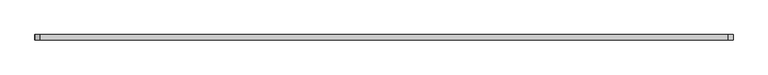
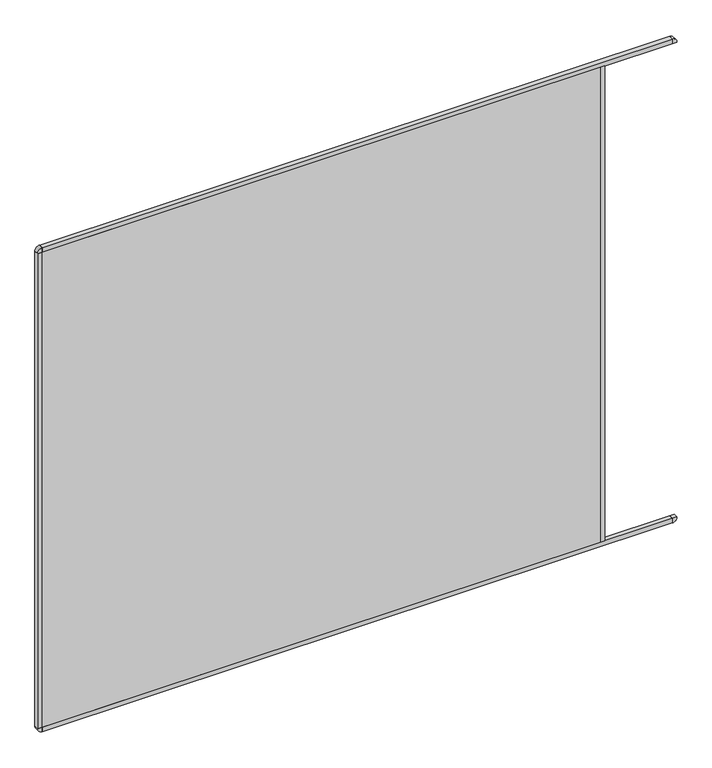
"""IFC4 building model written with IfcOpenShell, lengths in millimetres: furniture geometry."""

from ifc_helpers import new_model, si_unit, point, frame, frame_2d, origin, place, context, project, spatial, polyline, circle_curve, trimmed, segment, composite_curve, outline, extrude, source, transform, mapped, element, save


def furniture_ece47ec8(model_context):
    return source(origin(), model_context, "Body", "SweptSolid", [
        extrude(outline(polyline([(-614.0, 46.0), (695.0, 46.0), (695.0, 35.0), (-614.0, 35.0), (-614.0, 46.0)])), frame((0.0, 0.0, 883.4374337), z_axis=(0.0, 0.0, 1.0), x_axis=(1.0, 0.0, 0.0)), (0.0, 0.0, 1.0), 1178.0),
        extrude(outline(polyline([(-614.0, 35.0), (-625.0, 35.0), (-625.0, 46.0), (-614.0, 46.0), (-614.0, 35.0)])), frame((0.0, 0.0, 883.4374337), z_axis=(0.0, 0.0, 1.0), x_axis=(1.0, 0.0, 0.0)), (0.0, 0.0, 1.0), 1178.0),
        extrude(outline(polyline([(706.015625, 35.0), (695.015625, 35.0), (695.015625, 46.0), (706.015625, 46.0), (706.015625, 35.0)])), frame((0.0, 0.0, 883.4374337), z_axis=(0.0, 0.0, 1.0), x_axis=(1.0, 0.0, 0.0)), (0.0, 0.0, 1.0), 1178.0),
        extrude(outline(polyline([(864.0, 46.0), (864.0, 35.0), (-614.0, 35.0), (-614.0, 46.0), (864.0, 46.0)])), frame((0.0, 0.0, 872.4374337), z_axis=(0.0, 0.0, 1.0), x_axis=(1.0, 0.0, 0.0)), (0.0, 0.0, 1.0), 11.0),
        extrude(outline(polyline([(864.0, 46.0), (864.0, 35.0), (-614.0, 35.0), (-614.0, 46.0), (864.0, 46.0)])), frame((0.0, 0.0, 2061.4374337), z_axis=(0.0, 0.0, 1.0), x_axis=(1.0, 0.0, 0.0)), (0.0, 0.0, 1.0), 11.0),
        extrude(outline(composite_curve([segment(polyline([(2061.4374337, 864.0), (2061.4374337, 875.0)]), True, "CONTINUOUS"), segment(trimmed(circle_curve(frame_2d((2061.4374337, 864.0)), 11.0), [point((2061.4374337, 875.0))], [point((2072.4374337, 864.0))], False, "CARTESIAN"), True, "CONTINUOUS"), segment(polyline([(2072.4374337, 864.0), (2061.4374337, 864.0)]), True, "CONTINUOUS")], self_intersect=False)), frame((0.0, 35.0, 0.0), z_axis=(0.0, 1.0, 0.0), x_axis=(0.0, 0.0, 1.0)), (0.0, 0.0, 1.0), 11.0),
        extrude(outline(composite_curve([segment(polyline([(2061.4374337, -614.0), (2072.4374337, -614.0)]), True, "CONTINUOUS"), segment(trimmed(circle_curve(frame_2d((2061.4374337, -614.0)), 11.0), [point((2072.4374337, -614.0))], [point((2061.4374337, -625.0))], False, "CARTESIAN"), True, "CONTINUOUS"), segment(polyline([(2061.4374337, -625.0), (2061.4374337, -614.0)]), True, "CONTINUOUS")], self_intersect=False)), frame((0.0, 35.0, 0.0), z_axis=(0.0, 1.0, 0.0), x_axis=(0.0, 0.0, 1.0)), (0.0, 0.0, 1.0), 11.0),
        extrude(outline(composite_curve([segment(polyline([(883.4374337, -614.0), (883.4374337, -625.0)]), True, "CONTINUOUS"), segment(trimmed(circle_curve(frame_2d((883.4374337, -614.0)), 11.0), [point((883.4374337, -625.0))], [point((872.4374337, -614.0))], False, "CARTESIAN"), True, "CONTINUOUS"), segment(polyline([(872.4374337, -614.0), (883.4374337, -614.0)]), True, "CONTINUOUS")], self_intersect=False)), frame((0.0, 35.0, 0.0), z_axis=(0.0, 1.0, 0.0), x_axis=(0.0, 0.0, 1.0)), (0.0, 0.0, 1.0), 11.0),
        extrude(outline(composite_curve([segment(polyline([(883.4374337, 864.0), (872.4374337, 864.0)]), True, "CONTINUOUS"), segment(trimmed(circle_curve(frame_2d((883.4374337, 864.0)), 11.0), [point((872.4374337, 864.0))], [point((883.4374337, 875.0))], False, "CARTESIAN"), True, "CONTINUOUS"), segment(polyline([(883.4374337, 875.0), (883.4374337, 864.0)]), True, "CONTINUOUS")], self_intersect=False)), frame((0.0, 35.0, 0.0), z_axis=(0.0, 1.0, 0.0), x_axis=(0.0, 0.0, 1.0)), (0.0, 0.0, 1.0), 11.0),
    ])


if __name__ == "__main__":
    model = new_model("IFC4")
    model_context = context("Model", 3, world=origin())
    ifc_project = project(units=[si_unit("LENGTHUNIT", "METRE", prefix="MILLI")], contexts=[model_context])
    site = spatial("IfcSite", under=ifc_project)
    building = spatial("IfcBuilding", under=site)
    placement = place(None, origin())
    furniture_shape = furniture_ece47ec8(model_context)
    element("IfcFurniture", 1, at=placement, inside=building, context=model_context, shape_type="MappedRepresentation", body=[
        mapped(furniture_shape, transform((0.0, 0.0, 0.0), x_axis=(1.0, 0.0, 0.0), y_axis=(0.0, 1.0, 0.0), z_axis=(0.0, 0.0, 1.0))),
    ])
    save(model, "model.ifc")
